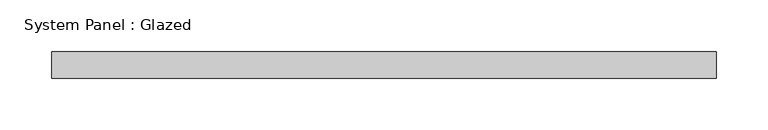
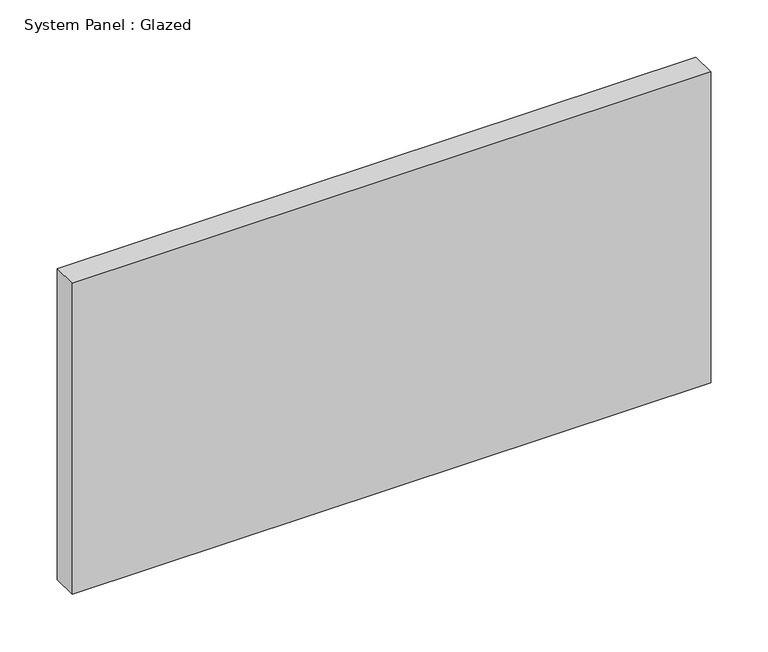
"""IFC4 building model written with IfcOpenShell, lengths in millimetres: plate geometry, System Panel : Glazed."""

from ifc_helpers import new_model, si_unit, origin, origin_with_axes, place, context, project, spatial, polyline, outline, extrude, source, transform, mapped, element, save


def system_panel_glazed_0f7e4014(model_context):
    return source(origin(), model_context, "Body", "SweptSolid", [
        extrude(outline(polyline([(320.6750002, 19.05), (-320.6750002, 19.05), (-320.6750002, 44.45), (320.6750002, 44.45), (320.6750002, 19.05)])), origin_with_axes(), (0.0, 0.0, 1.0), 330.2),
    ])


if __name__ == "__main__":
    model = new_model("IFC4")
    model_context = context("Model", 3, world=origin())
    ifc_project = project(units=[si_unit("LENGTHUNIT", "METRE", prefix="MILLI")], contexts=[model_context])
    site = spatial("IfcSite", under=ifc_project)
    building = spatial("IfcBuilding", under=site)
    placement = place(None, origin())
    system_panel_glazed_shape = system_panel_glazed_0f7e4014(model_context)
    element("IfcPlate", 1, ObjectType="System Panel : Glazed", at=placement, inside=building, context=model_context, shape_type="MappedRepresentation", body=[
        mapped(system_panel_glazed_shape, transform((0.0, 0.0, 0.0), x_axis=(1.0, 0.0, 0.0), y_axis=(0.0, 1.0, 0.0), z_axis=(0.0, 0.0, 1.0))),
    ])
    save(model, "model.ifc")
